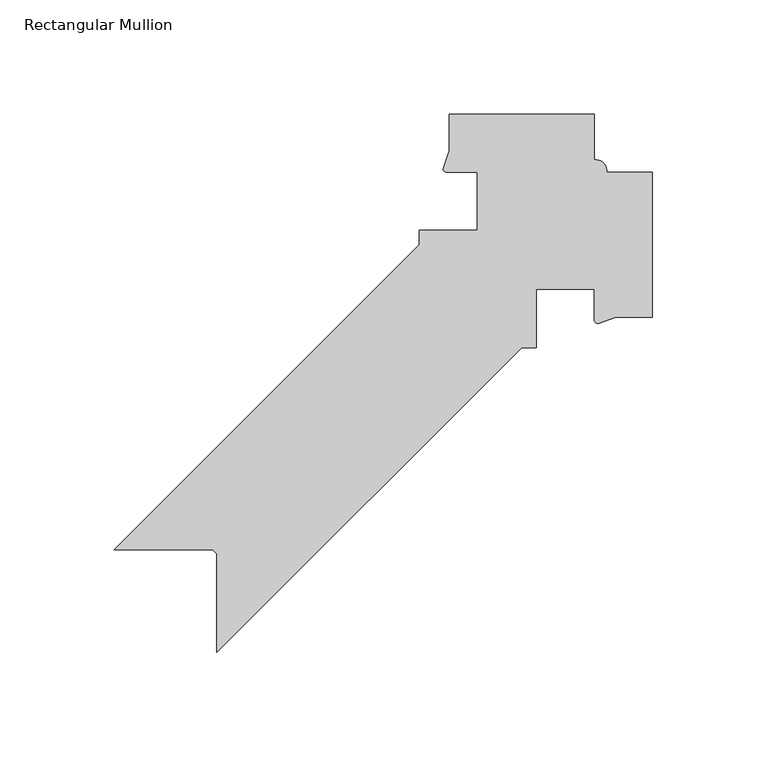
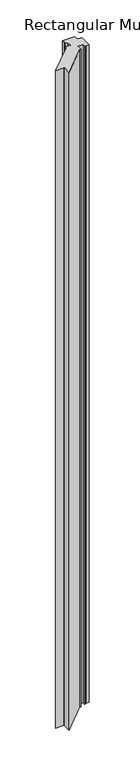
"""IFC4 building model written with IfcOpenShell, lengths in millimetres: member geometry, Rectangular Mullion."""

from ifc_helpers import new_model, si_unit, point, frame, frame_2d, origin, place, context, project, spatial, polyline, circle_curve, trimmed, segment, composite_curve, outline, extrude, source, transform, mapped, element, save


def rectangular_mullion_027dbe65(model_context):
    return source(origin(), model_context, "Body", "SweptSolid", [
        extrude(outline(composite_curve([segment(polyline([(-290.7561933, -200.0601403), (-333.8614227, -200.0601403), (-200.5114166, -66.7101342), (-200.5114166, -60.3601346), (-175.1114226, -60.3601346), (-175.1114226, -34.9977258)]), True, "CONTINUOUS"), segment(trimmed(circle_curve(frame_2d((-183.0593903, -495.96796)), 461.0387479), [point((-175.1114226, -34.9977258))], [point((-188.3942709, -34.9600793))], True, "CARTESIAN"), True, "CONTINUOUS"), segment(trimmed(circle_curve(frame_2d((-188.3113794, -33.2587283)), 1.703369), [point((-188.3942709, -34.9600793))], [point((-190.0109973, -33.3717111))], False, "CARTESIAN"), True, "CONTINUOUS"), segment(polyline([(-190.0109973, -33.3717111), (-187.3601439, -25.435048), (-187.3601439, -9.5601403), (-123.8601421, -9.5601403), (-123.8601421, -29.5056952)]), True, "CONTINUOUS"), segment(trimmed(circle_curve(frame_2d((-123.163959, -34.2133452)), 4.7588485), [point((-123.8601421, -29.5056952))], [point((-118.4640721, -34.9601403))], False, "CARTESIAN"), True, "CONTINUOUS"), segment(polyline([(-118.4640721, -34.9601403), (-98.4601421, -34.9601403), (-98.4601421, -98.4601421), (-114.3350498, -98.4601421), (-122.2717129, -101.1109955)]), True, "CONTINUOUS"), segment(trimmed(circle_curve(frame_2d((-122.1587301, -99.4113776)), 1.703369), [point((-122.2717129, -101.1109955))], [point((-123.8600811, -99.4942691))], False, "CARTESIAN"), True, "CONTINUOUS"), segment(trimmed(circle_curve(frame_2d((-584.8679618, -94.1593885)), 461.0387479), [point((-123.8600811, -99.4942691))], [point((-123.8977275, -86.2114232))], True, "CARTESIAN"), True, "CONTINUOUS"), segment(polyline([(-123.8977275, -86.2114232), (-149.2601421, -86.2114232), (-149.2601421, -111.6114148), (-155.610136, -111.6114148), (-288.9601419, -244.9614208), (-288.9601419, -201.8561917), (-290.7561933, -200.0601403)]), True, "CONTINUOUS")], self_intersect=False)), frame((0.0, 0.0, -3657.6), z_axis=(0.0, 0.0, 1.0), x_axis=(1.0, 0.0, 0.0)), (0.0, 0.0, 1.0), 3657.6),
    ])


if __name__ == "__main__":
    model = new_model("IFC4")
    model_context = context("Model", 3, world=origin())
    ifc_project = project(units=[si_unit("LENGTHUNIT", "METRE", prefix="MILLI")], contexts=[model_context])
    site = spatial("IfcSite", under=ifc_project)
    building = spatial("IfcBuilding", under=site)
    placement = place(None, origin())
    rectangular_mullion_shape = rectangular_mullion_027dbe65(model_context)
    element("IfcMember", 1, ObjectType="Rectangular Mullion", at=placement, inside=building, context=model_context, shape_type="MappedRepresentation", body=[
        mapped(rectangular_mullion_shape, transform((0.0, 0.0, 0.0), x_axis=(1.0, 0.0, 0.0), y_axis=(0.0, 1.0, 0.0), z_axis=(0.0, 0.0, 1.0))),
    ])
    save(model, "model.ifc")
